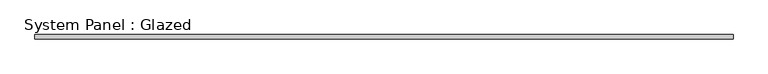
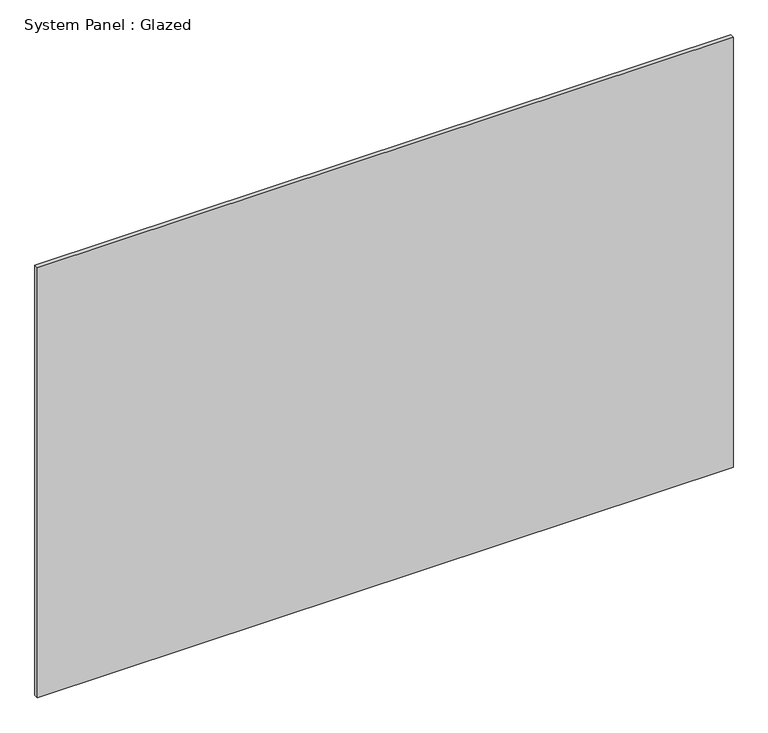
"""IFC4 building model written with IfcOpenShell, lengths in millimetres: plate geometry, System Panel : Glazed."""

from ifc_helpers import new_model, si_unit, origin, origin_with_axes, place, context, project, spatial, polyline, outline, extrude, source, transform, mapped, element, save


def system_panel_glazed_784f3e9f(model_context):
    return source(origin(), model_context, "Body", "SweptSolid", [
        extrude(outline(polyline([(2065.589182, 24.5), (-2065.589182, 24.5), (-2065.589182, 49.5), (2065.589182, 49.5), (2065.589182, 24.5)])), origin_with_axes(), (0.0, 0.0, 1.0), 2700.0),
    ])


if __name__ == "__main__":
    model = new_model("IFC4")
    model_context = context("Model", 3, world=origin())
    ifc_project = project(units=[si_unit("LENGTHUNIT", "METRE", prefix="MILLI")], contexts=[model_context])
    site = spatial("IfcSite", under=ifc_project)
    building = spatial("IfcBuilding", under=site)
    placement = place(None, origin())
    system_panel_glazed_shape = system_panel_glazed_784f3e9f(model_context)
    element("IfcPlate", 1, ObjectType="System Panel : Glazed", at=placement, inside=building, context=model_context, shape_type="MappedRepresentation", body=[
        mapped(system_panel_glazed_shape, transform((0.0, 0.0, 0.0), x_axis=(1.0, 0.0, 0.0), y_axis=(0.0, 1.0, 0.0), z_axis=(0.0, 0.0, 1.0))),
    ])
    save(model, "model.ifc")
